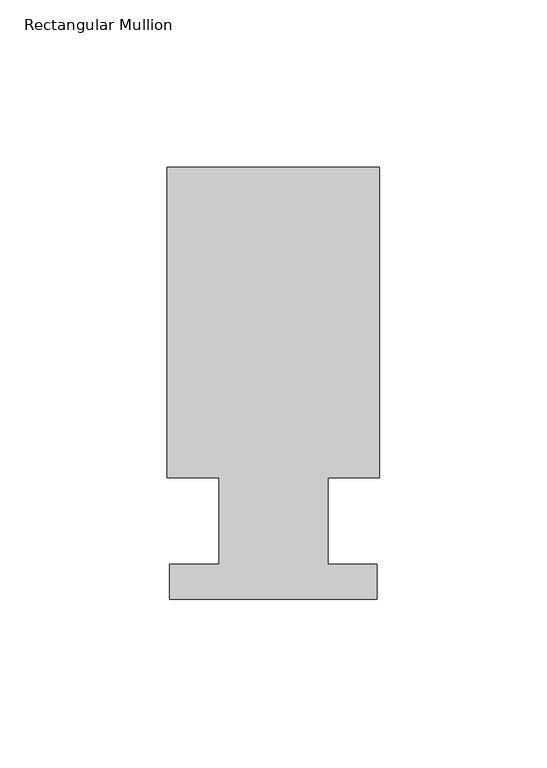
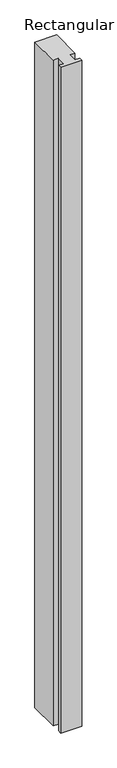
"""IFC4 building model written with IfcOpenShell, lengths in millimetres: member geometry, Rectangular Mullion."""

from ifc_helpers import new_model, si_unit, frame, origin, place, context, project, spatial, polyline, outline, extrude, source, transform, mapped, element, save


def rectangular_mullion_e08c6572(model_context):
    return source(origin(), model_context, "Body", "SweptSolid", [
        extrude(outline(polyline([(31.75, 126.9888875), (31.75, 34.3296875), (16.2687, 34.3296875), (16.2687, 8.3454875), (30.988, 8.3454875), (30.988, -2.0939125), (-30.988, -2.0939125), (-30.988, 8.3454875), (-16.2687, 8.3454875), (-16.2687, 34.3296875), (-31.75, 34.3296875), (-31.75, 126.9888875), (31.75, 126.9888875)])), frame((0.0, 0.0, -2063.75), z_axis=(0.0, 0.0, 1.0), x_axis=(1.0, 0.0, 0.0)), (0.0, 0.0, 1.0), 2063.75),
    ])


if __name__ == "__main__":
    model = new_model("IFC4")
    model_context = context("Model", 3, world=origin())
    ifc_project = project(units=[si_unit("LENGTHUNIT", "METRE", prefix="MILLI")], contexts=[model_context])
    site = spatial("IfcSite", under=ifc_project)
    building = spatial("IfcBuilding", under=site)
    placement = place(None, origin())
    rectangular_mullion_shape = rectangular_mullion_e08c6572(model_context)
    element("IfcMember", 1, ObjectType="Rectangular Mullion", at=placement, inside=building, context=model_context, shape_type="MappedRepresentation", body=[
        mapped(rectangular_mullion_shape, transform((0.0, 0.0, 0.0), x_axis=(1.0, 0.0, 0.0), y_axis=(0.0, 1.0, 0.0), z_axis=(0.0, 0.0, 1.0))),
    ])
    save(model, "model.ifc")
